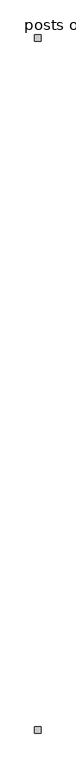
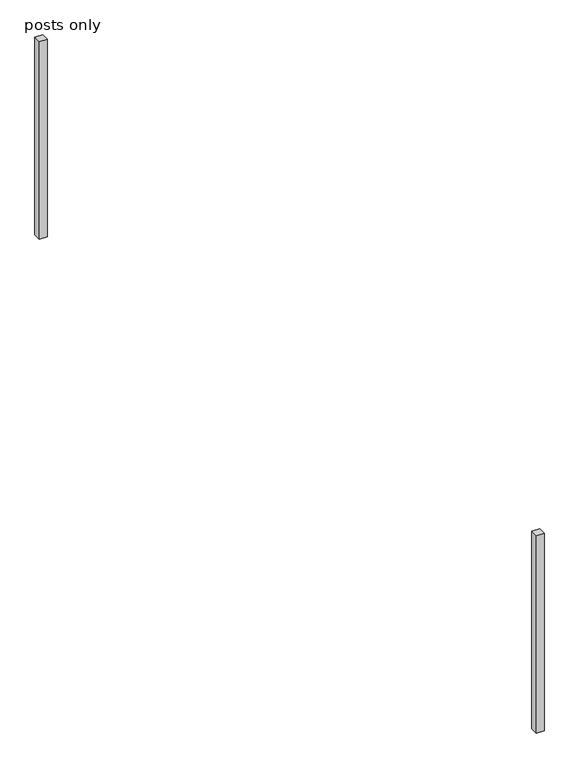
"""IFC4 building model written with IfcOpenShell, lengths in millimetres: railing geometry, posts only."""

import ifcopenshell
import ifcopenshell.guid

model = None  # the IFC model being written
_history = None  # IfcOwnerHistory: only IFC2X3 demands one
_inside = {}  # id of a spatial element -> (the spatial element, [elements in it])
_under = {}  # id of a project, library or spatial element -> (it, [spatial elements below it])
_declared = {}  # id of a project -> (the project, [libraries it declares])
_typed = {}  # id of a type object -> (the type object, [elements of that type])
_made_of = {}  # id of a material, layer set ... -> (it, [elements and type objects made of it])


def new_model(schema):
    """Start an empty IFC model of exactly this schema.

    Asked for "IFC4X3", IfcOpenShell would pick the latest addendum, in which some entities
    have other attributes; the version numbers below select the first issue.
    IFC2X3 requires an IfcOwnerHistory on every rooted entity: one is made here for all.
    """
    global model, _history
    if schema == "IFC4X3":
        model = ifcopenshell.file(schema_version=(4, 3, 0, 0))
    else:
        model = ifcopenshell.file(schema=schema)
    _inside.clear()
    _under.clear()
    _declared.clear()
    _typed.clear()
    _made_of.clear()
    _history = None
    if model.schema == "IFC2X3":
        org = make("IfcOrganization", Name="unknown")
        user = make(
            "IfcPersonAndOrganization",
            ThePerson=make("IfcPerson", FamilyName="unknown"),
            TheOrganization=org,
        )
        app = make(
            "IfcApplication",
            ApplicationDeveloper=org,
            Version="unknown",
            ApplicationFullName="unknown",
            ApplicationIdentifier="unknown",
        )
        _history = make(
            "IfcOwnerHistory",
            OwningUser=user,
            OwningApplication=app,
            ChangeAction="ADDED",
            CreationDate=0,
        )
    return model


def make(cls, **values):
    """One entity of the class cls with the attributes given. An attribute that is None is left unset."""
    return model.create_entity(
        cls, **{name: value for name, value in values.items() if value is not None}
    )


def rooted(cls, **values):
    """An entity with a GlobalId (a new one), such as an element, a storey or a relation."""
    return make(cls, GlobalId=ifcopenshell.guid.new(), OwnerHistory=_history, **values)


def si_unit(unit_type, name, prefix=None):
    """IfcSIUnit, for example si_unit("LENGTHUNIT", "METRE", prefix="MILLI")."""
    return make("IfcSIUnit", UnitType=unit_type, Prefix=prefix, Name=name)


def assignment(units):
    """IfcUnitAssignment: the units of a project."""
    return None if units is None else make("IfcUnitAssignment", Units=units)


def point(xyz):
    """IfcCartesianPoint."""
    return None if xyz is None else make("IfcCartesianPoint", Coordinates=xyz)


def direction(xyz):
    """IfcDirection."""
    return None if xyz is None else make("IfcDirection", DirectionRatios=xyz)


def frame(location, z_axis=None, x_axis=None):
    """IfcAxis2Placement3D, a coordinate frame: its origin and axes. An axis left out is left unset."""
    return make(
        "IfcAxis2Placement3D",
        Location=point(location),
        Axis=direction(z_axis),
        RefDirection=direction(x_axis),
    )


def origin():
    """The frame at (0, 0, 0) with its axes left unset."""
    return frame((0.0, 0.0, 0.0))


def origin_with_axes():
    """The frame at (0, 0, 0) with the z axis (0, 0, 1) and the x axis (1, 0, 0) written out."""
    return frame((0.0, 0.0, 0.0), z_axis=(0.0, 0.0, 1.0), x_axis=(1.0, 0.0, 0.0))


def place(relative_to, where):
    """IfcLocalPlacement: puts the frame where relative to a parent placement (None: the world)."""
    return make(
        "IfcLocalPlacement", PlacementRelTo=relative_to, RelativePlacement=where
    )


def context(
    kind, dimensions, precision=None, world=None, true_north=None, identifier=None
):
    """IfcGeometricRepresentationContext, for example the 3D "Model" context."""
    return make(
        "IfcGeometricRepresentationContext",
        ContextIdentifier=identifier,
        ContextType=kind,
        CoordinateSpaceDimension=dimensions,
        Precision=precision,
        WorldCoordinateSystem=world,
        TrueNorth=true_north,
    )


def project(units=None, contexts=None):
    """IfcProject with its units and contexts."""
    return rooted(
        "IfcProject",
        Name="project",
        RepresentationContexts=contexts,
        UnitsInContext=assignment(units),
    )


def spatial(cls, under=None, at=None, **own):
    """A site, building, storey or space (cls), placed at a placement, below another one or the project."""
    s = rooted(cls, ObjectPlacement=at, **own)
    if under is not None:
        _under.setdefault(under.id(), (under, []))[1].append(s)
    return s


def polyline(points):
    """IfcPolyline through the points."""
    return make("IfcPolyline", Points=[point(p) for p in points])


def outline(outer, holes=None, kind="AREA"):
    """IfcArbitraryClosedProfileDef: a profile drawn as a closed curve; with holes, ...WithVoids."""
    if holes is None:
        return make("IfcArbitraryClosedProfileDef", ProfileType=kind, OuterCurve=outer)
    return make(
        "IfcArbitraryProfileDefWithVoids",
        ProfileType=kind,
        OuterCurve=outer,
        InnerCurves=holes,
    )


def extrude(swept, where, along, depth):
    """IfcExtrudedAreaSolid: the profile swept, set in the frame where, extruded along a direction by depth."""
    return make(
        "IfcExtrudedAreaSolid",
        SweptArea=swept,
        Position=where,
        ExtrudedDirection=direction(along),
        Depth=depth,
    )


def shape(context_of_items, identifier, shape_type, items):
    """IfcShapeRepresentation: the items that make up one representation, for example the "Body"."""
    return make(
        "IfcShapeRepresentation",
        ContextOfItems=context_of_items,
        RepresentationIdentifier=identifier,
        RepresentationType=shape_type,
        Items=items,
    )


def source(mapping_origin, context_of_items, identifier, shape_type, items):
    """IfcRepresentationMap: a shape defined once, which mapped items show again and again."""
    return make(
        "IfcRepresentationMap",
        MappingOrigin=mapping_origin,
        MappedRepresentation=shape(context_of_items, identifier, shape_type, items),
    )


def transform(
    local_origin,
    x_axis=None,
    y_axis=None,
    z_axis=None,
    scale=None,
    scale2=None,
    scale3=None,
    uniform=True,
):
    """IfcCartesianTransformationOperator3D, or its non-uniform kind. x_axis, y_axis, z_axis: its Axis1, 2, 3."""
    if uniform:
        return make(
            "IfcCartesianTransformationOperator3D",
            Axis1=direction(x_axis),
            Axis2=direction(y_axis),
            LocalOrigin=point(local_origin),
            Scale=scale,
            Axis3=direction(z_axis),
        )
    return make(
        "IfcCartesianTransformationOperator3DnonUniform",
        Axis1=direction(x_axis),
        Axis2=direction(y_axis),
        LocalOrigin=point(local_origin),
        Scale=scale,
        Axis3=direction(z_axis),
        Scale2=scale2,
        Scale3=scale3,
    )


def mapped(mapping_source, mapping_target):
    """IfcMappedItem: shows the shape of a source again, moved by a transform."""
    return make(
        "IfcMappedItem", MappingSource=mapping_source, MappingTarget=mapping_target
    )


def made_of(thing, what):
    """Note that an element or type object is made of a material, layer set ...; save() writes the relation."""
    if what is not None:
        _made_of.setdefault(what.id(), (what, []))[1].append(thing)
    return thing


def element(
    cls,
    number,
    at=None,
    inside=None,
    cuts=None,
    type_object=None,
    material=None,
    context=None,
    identifier="Body",
    shape_type=None,
    held_by="IfcProductDefinitionShape",
    body=None,
    shapes=None,
    **own,
):
    """One element of the class cls, such as IfcWall. Its Tag is "e" and its number.

    at: its placement. inside: the storey or other place that contains it. cuts: it is an
    opening in that element (IfcRelVoidsElement). A single representation is given by context,
    identifier, shape_type and body (its items); several are given by shapes. held_by: the class
    of the entity that holds the representations. save() writes the other relations.
    """
    e = rooted(cls, Tag="e%d" % number, ObjectPlacement=at, **own)
    if body is not None:
        shapes = [shape(context, identifier, shape_type, body)]
    if shapes is not None:
        e.Representation = make(held_by, Representations=shapes)
    if inside is not None:
        _inside.setdefault(inside.id(), (inside, []))[1].append(e)
    if cuts is not None:
        rooted(
            "IfcRelVoidsElement", RelatingBuildingElement=cuts, RelatedOpeningElement=e
        )
    if type_object is not None:
        _typed.setdefault(type_object.id(), (type_object, []))[1].append(e)
    return made_of(e, material)


def aggregate(whole, parts):
    """IfcRelAggregates: a whole, such as a stair, and the parts it consists of."""
    return rooted("IfcRelAggregates", RelatingObject=whole, RelatedObjects=parts)


def save(model, path):
    """Write the relations noted so far, then the file.

    IfcRelAggregates (storeys below a building ...), IfcRelContainedInSpatialStructure (elements
    in a storey), IfcRelDefinesByType, IfcRelAssociatesMaterial and IfcRelDeclares: one each for
    every whole, place, type object, material and project.
    """
    for whole, parts in _under.values():
        aggregate(whole, parts)
    for where, things in _inside.values():
        rooted(
            "IfcRelContainedInSpatialStructure",
            RelatedElements=things,
            RelatingStructure=where,
        )
    for kind, things in _typed.values():
        rooted("IfcRelDefinesByType", RelatedObjects=things, RelatingType=kind)
    for what, things in _made_of.values():
        rooted("IfcRelAssociatesMaterial", RelatedObjects=things, RelatingMaterial=what)
    for by, libraries in _declared.values():
        rooted("IfcRelDeclares", RelatingContext=by, RelatedDefinitions=libraries)
    model.write(path)


def posts_only_f2a87ba2(model_context):
    return source(origin(), model_context, "Body", "SweptSolid", [
        extrude(outline(polyline([(7929.6452321, 6555.9277348), (7929.6452321, 6517.8277348), (7891.5452321, 6517.8277348), (7891.5452321, 6555.9277348), (7929.6452321, 6555.9277348)])), origin_with_axes(), (0.0, 0.0, 1.0), 1028.7),
        extrude(outline(polyline([(7929.6452321, 2314.1277348), (7929.6452321, 2276.0277348), (7891.5452321, 2276.0277348), (7891.5452321, 2314.1277348), (7929.6452321, 2314.1277348)])), origin_with_axes(), (0.0, 0.0, 1.0), 1028.7),
    ])


if __name__ == "__main__":
    model = new_model("IFC4")
    model_context = context("Model", 3, world=origin())
    ifc_project = project(units=[si_unit("LENGTHUNIT", "METRE", prefix="MILLI")], contexts=[model_context])
    site = spatial("IfcSite", under=ifc_project)
    building = spatial("IfcBuilding", under=site)
    placement = place(None, origin())
    posts_only_shape = posts_only_f2a87ba2(model_context)
    element("IfcRailing", 1, ObjectType="posts only", at=placement, inside=building, context=model_context, shape_type="MappedRepresentation", body=[
        mapped(posts_only_shape, transform((0.0, 0.0, 0.0), x_axis=(1.0, 0.0, 0.0), y_axis=(0.0, 1.0, 0.0), z_axis=(0.0, 0.0, 1.0))),
    ])
    save(model, "model.ifc")
